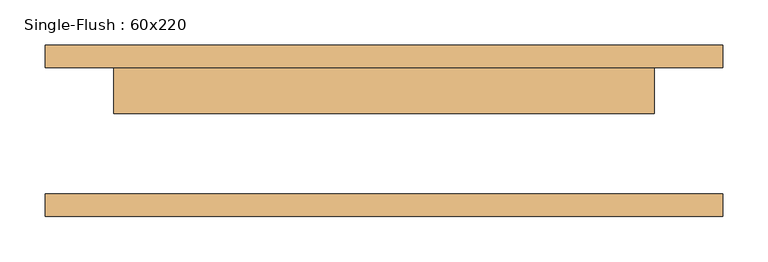
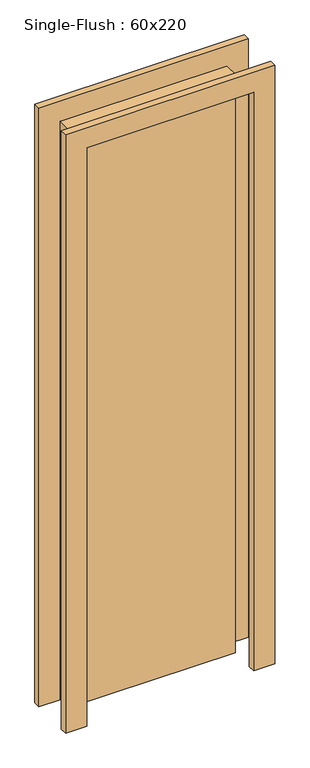
"""IFC4 building model written with IfcOpenShell, lengths in millimetres: door geometry, Single-Flush : 60x220."""

from ifc_helpers import new_model, si_unit, frame, origin, origin_with_axes, place, context, project, spatial, polyline, outline, extrude, source, transform, mapped, element, save


def single_flush_60x220_02381f98(model_context):
    return source(origin(), model_context, "Body", "SweptSolid", [
        extrude(outline(polyline([(2276.2, -376.2), (0.0, -376.2), (0.0, -300.0), (2200.0, -300.0), (2200.0, 300.0), (0.0, 300.0), (0.0, 376.2), (2276.2, 376.2), (2276.2, -376.2)])), frame((0.0, 70.0, 0.0), z_axis=(0.0, 1.0, 0.0), x_axis=(0.0, 0.0, 1.0)), (0.0, 0.0, 1.0), 25.4),
        extrude(outline(polyline([(2276.2, 376.2), (2276.2, -376.2), (0.0, -376.2), (0.0, -300.0), (2200.0, -300.0), (2200.0, 300.0), (0.0, 300.0), (0.0, 376.2), (2276.2, 376.2)])), frame((0.0, -95.4, 0.0), z_axis=(0.0, 1.0, 0.0), x_axis=(0.0, 0.0, 1.0)), (0.0, 0.0, 1.0), 25.4),
        extrude(outline(polyline([(300.0, 19.2), (-300.0, 19.2), (-300.0, 70.0), (300.0, 70.0), (300.0, 19.2)])), origin_with_axes(), (0.0, 0.0, 1.0), 2200.0),
    ])


if __name__ == "__main__":
    model = new_model("IFC4")
    model_context = context("Model", 3, world=origin())
    ifc_project = project(units=[si_unit("LENGTHUNIT", "METRE", prefix="MILLI")], contexts=[model_context])
    site = spatial("IfcSite", under=ifc_project)
    building = spatial("IfcBuilding", under=site)
    placement = place(None, origin())
    single_flush_60x220_shape = single_flush_60x220_02381f98(model_context)
    element("IfcDoor", 1, ObjectType="Single-Flush : 60x220", at=placement, inside=building, context=model_context, shape_type="MappedRepresentation", body=[
        mapped(single_flush_60x220_shape, transform((0.0, 0.0, 0.0), x_axis=(1.0, 0.0, 0.0), y_axis=(0.0, 1.0, 0.0), z_axis=(0.0, 0.0, 1.0))),
    ])
    save(model, "model.ifc")
